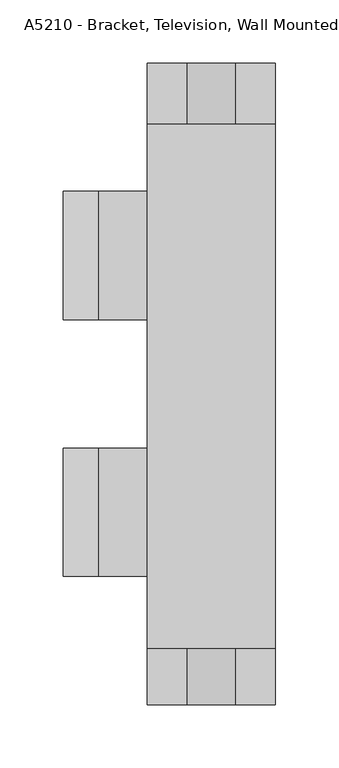
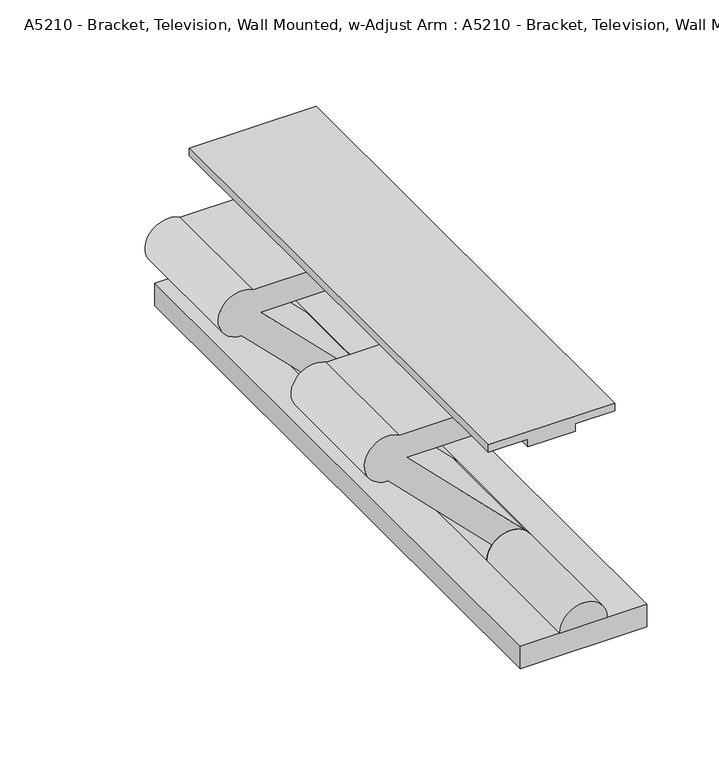
"""IFC4 building model written with IfcOpenShell, lengths in millimetres: proxy geometry, A5210 - Bracket, Television, Wall Mounted, w-Adjust Arm : A5210 - Bracket, Television, Wall Mounted, w-Adjust Arm."""

from ifc_helpers import new_model, si_unit, point, frame, frame_2d, origin, origin_with_axes, place, context, project, spatial, polyline, circle_curve, trimmed, segment, composite_curve, outline, extrude, source, transform, mapped, element, save


def a5210_bracket_television_wall_mounted_w_adjust_arm_a5210_906cd2a7(model_context):
    return source(origin(), model_context, "Body", "SweptSolid", [
        extrude(outline(polyline([(162.6789567, -50.8), (156.3289567, -50.8), (156.3289567, -19.05), (149.9789567, -19.05), (149.9789567, 19.05), (156.3289567, 19.05), (156.3289567, 50.8), (162.6789567, 50.8), (162.6789567, -50.8)])), frame((0.0, 44.6660281, 0.0), z_axis=(0.0, 1.0, 0.0), x_axis=(0.0, 0.0, 1.0)), (0.0, 0.0, 1.0), 415.0622238),
        extrude(outline(composite_curve([segment(polyline([(128.9873679, -83.1534241), (128.9873679, 19.05), (149.9789567, 19.05), (149.9789567, -88.9412624)]), True, "CONTINUOUS"), segment(trimmed(circle_curve(frame_2d((133.3453414, -98.2270226)), 19.05), [point((149.9789567, -88.9412624))], [point((114.2955047, -98.1481504))], False, "CARTESIAN"), True, "CONTINUOUS"), segment(polyline([(114.2955047, -98.1481504), (30.9906491, -14.8432948)]), True, "CONTINUOUS"), segment(trimmed(circle_curve(frame_2d((19.05, 0.0)), 19.05), [point((30.9906491, -14.8432948))], [point((33.8932948, 11.9406491))], True, "CARTESIAN"), True, "CONTINUOUS"), segment(polyline([(33.8932948, 11.9406491), (128.9873679, -83.1534241)]), True, "CONTINUOUS")], self_intersect=False)), frame((0.0, 101.6, 0.0), z_axis=(0.0, 1.0, 0.0), x_axis=(0.0, 0.0, 1.0)), (0.0, 0.0, 1.0), 101.6),
        extrude(outline(composite_curve([segment(polyline([(128.9873679, -83.1534241), (128.9873679, 19.05), (149.9789567, 19.05), (149.9789567, -88.9412624)]), True, "CONTINUOUS"), segment(trimmed(circle_curve(frame_2d((133.3453414, -98.2270226)), 19.05), [point((149.9789567, -88.9412624))], [point((114.2955047, -98.1481504))], False, "CARTESIAN"), True, "CONTINUOUS"), segment(polyline([(114.2955047, -98.1481504), (30.9906491, -14.8432948)]), True, "CONTINUOUS"), segment(trimmed(circle_curve(frame_2d((19.05, 0.0)), 19.05), [point((30.9906491, -14.8432948))], [point((33.8932948, 11.9406491))], True, "CARTESIAN"), True, "CONTINUOUS"), segment(polyline([(33.8932948, 11.9406491), (128.9873679, -83.1534241)]), True, "CONTINUOUS")], self_intersect=False)), frame((0.0, 304.8, 0.0), z_axis=(0.0, 1.0, 0.0), x_axis=(0.0, 0.0, 1.0)), (0.0, 0.0, 1.0), 101.6),
        extrude(outline(composite_curve([segment(trimmed(circle_curve(frame_2d((19.05, 0.0)), 19.05), [point((19.05, 19.05))], [point((19.05, -19.05))], False, "CARTESIAN"), True, "CONTINUOUS"), segment(polyline([(19.05, -19.05), (19.05, 19.05)]), True, "CONTINUOUS")], self_intersect=False)), frame((0.0, 101.6, 0.0), z_axis=(0.0, 1.0, 0.0), x_axis=(0.0, 0.0, 1.0)), (0.0, 0.0, 1.0), 101.6),
        extrude(outline(composite_curve([segment(trimmed(circle_curve(frame_2d((19.05, 0.0)), 19.05), [point((19.05, 19.05))], [point((19.05, -19.05))], False, "CARTESIAN"), True, "CONTINUOUS"), segment(polyline([(19.05, -19.05), (19.05, 19.05)]), True, "CONTINUOUS")], self_intersect=False)), frame((0.0, 304.8, 0.0), z_axis=(0.0, 1.0, 0.0), x_axis=(0.0, 0.0, 1.0)), (0.0, 0.0, 1.0), 101.6),
        extrude(outline(composite_curve([segment(polyline([(19.05, -19.05), (19.05, 19.05)]), True, "CONTINUOUS"), segment(trimmed(circle_curve(frame_2d((19.05, 0.0)), 19.05), [point((19.05, 19.05))], [point((19.05, -19.05))], False, "CARTESIAN"), True, "CONTINUOUS")], self_intersect=False)), frame((0.0, 0.0, 0.0), z_axis=(0.0, 1.0, 0.0), x_axis=(0.0, 0.0, 1.0)), (0.0, 0.0, 1.0), 101.6),
        extrude(outline(composite_curve([segment(polyline([(19.05, -19.05), (19.05, 19.05)]), True, "CONTINUOUS"), segment(trimmed(circle_curve(frame_2d((19.05, 0.0)), 19.05), [point((19.05, 19.05))], [point((19.05, -19.05))], False, "CARTESIAN"), True, "CONTINUOUS")], self_intersect=False)), frame((0.0, 203.2, 0.0), z_axis=(0.0, 1.0, 0.0), x_axis=(0.0, 0.0, 1.0)), (0.0, 0.0, 1.0), 101.6),
        extrude(outline(composite_curve([segment(polyline([(19.05, -19.05), (19.05, 19.05)]), True, "CONTINUOUS"), segment(trimmed(circle_curve(frame_2d((19.05, 0.0)), 19.05), [point((19.05, 19.05))], [point((19.05, -19.05))], False, "CARTESIAN"), True, "CONTINUOUS")], self_intersect=False)), frame((0.0, 406.4, 0.0), z_axis=(0.0, 1.0, 0.0), x_axis=(0.0, 0.0, 1.0)), (0.0, 0.0, 1.0), 101.6),
        extrude(outline(polyline([(50.8, 0.0), (-50.8, 0.0), (-50.8, 508.0), (50.8, 508.0), (50.8, 0.0)])), origin_with_axes(), (0.0, 0.0, 1.0), 19.05),
    ])


if __name__ == "__main__":
    model = new_model("IFC4")
    model_context = context("Model", 3, world=origin())
    ifc_project = project(units=[si_unit("LENGTHUNIT", "METRE", prefix="MILLI")], contexts=[model_context])
    site = spatial("IfcSite", under=ifc_project)
    building = spatial("IfcBuilding", under=site)
    placement = place(None, origin())
    a5210_bracket_television_wall_mounted_w_adjust_arm_a5210_shape = a5210_bracket_television_wall_mounted_w_adjust_arm_a5210_906cd2a7(model_context)
    element("IfcBuildingElementProxy", 1, Name="A5210 - Bracket, Television, Wall Mounted, w-Adjust Arm : A5210 - Bracket, Television, Wall Mounted, w-Adjust Arm", ObjectType="A5210 - Bracket, Television, Wall Mounted, w-Adjust Arm : A5210 - Bracket, Television, Wall Mounted, w-Adjust Arm", at=placement, inside=building, context=model_context, shape_type="MappedRepresentation", body=[
        mapped(a5210_bracket_television_wall_mounted_w_adjust_arm_a5210_shape, transform((0.0, 0.0, 0.0), x_axis=(1.0, 0.0, 0.0), y_axis=(0.0, 1.0, 0.0), z_axis=(0.0, 0.0, 1.0))),
    ])
    save(model, "model.ifc")
